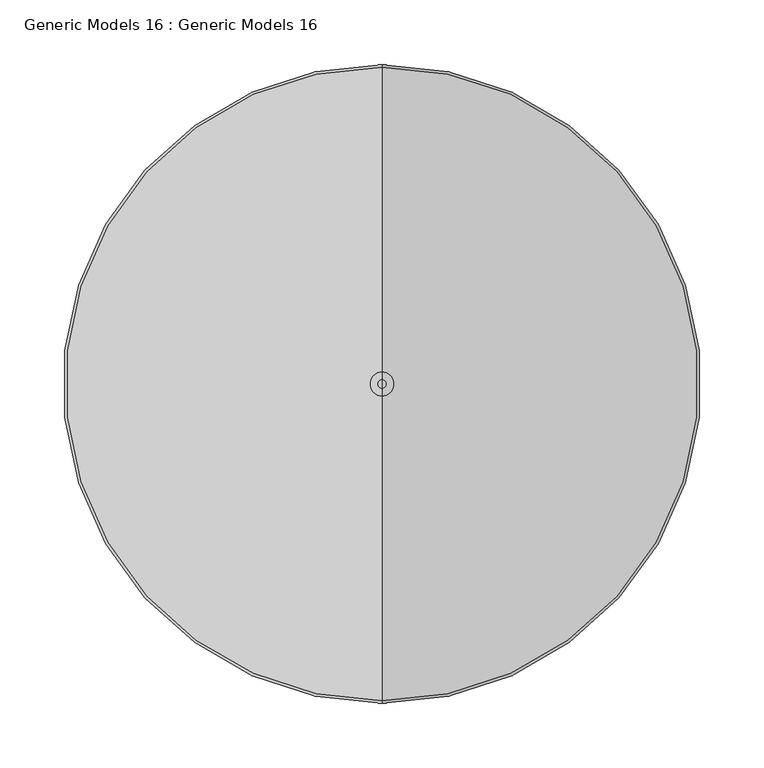
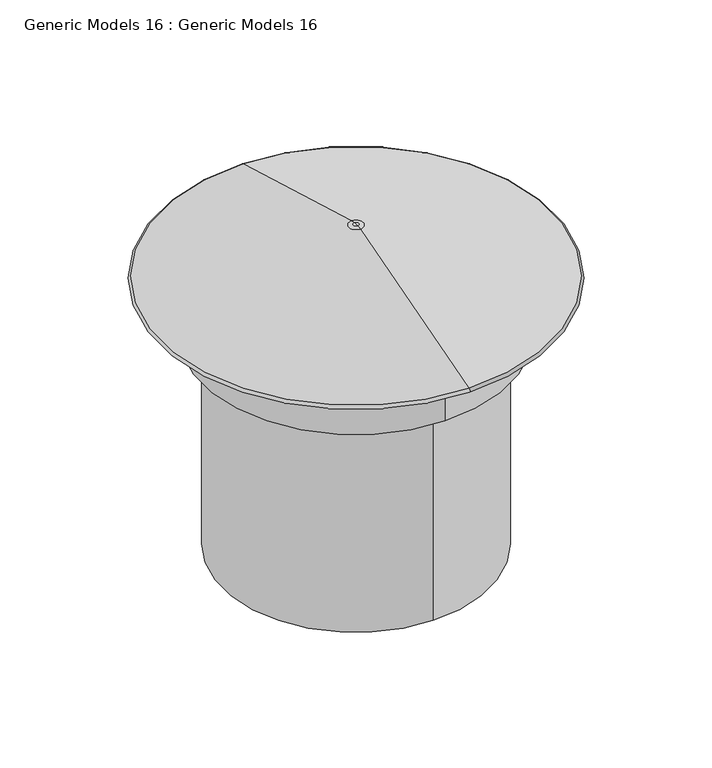
"""IFC4 building model written with IfcOpenShell, lengths in millimetres: proxy geometry, Generic Models 16 : Generic Models 16."""

from ifc_helpers import new_model, si_unit, point, frame, origin, place, context, project, spatial, polyline, circle_curve, ellipse_curve, trimmed, source, transform, mapped, element, save
from ifc_brep_helpers import plane_surface, cylinder_surface, revolved_surface, advanced_brep


def generic_models_16_generic_models_16_5de2d1c3(model_context):
    return source(origin(), model_context, "Body", "AdvancedBrep", [
        advanced_brep(
        [(-25348.3575108, -8059.9649212, -2540.2681162), (-25348.3575108, -8056.7466653, -2540.2681162), (-25348.3575108, -8063.1831772, -2540.2681162), (-25348.3575108, -8227.4334155, -2963.030599), (-25348.3575108, -7892.4964269, -2963.030599), (-25348.3575108, -8059.9649212, -2963.030599), (-25348.3575108, -8227.4334155, -2683.630599), (-25348.3575108, -7892.4964269, -2683.630599), (-25348.3575108, -8252.8334155, -2683.630599), (-25348.3575108, -7867.0964269, -2683.630599), (-25348.3575108, -8252.8334155, -2613.780599), (-25348.3575108, -7867.0964269, -2613.780599), (-25348.3575108, -8304.3261297, -2613.780599), (-25348.3575108, -7815.6037128, -2613.780599), (-25348.3575108, -8305.0372598, -2608.7206452), (-25348.3575108, -7814.8925827, -2608.7206452), (-25348.3575108, -8069.3253468, -2541.1313418), (-25348.3575108, -8050.6044956, -2541.1313418)],
        [
            (0, 1),
            (1, 2, circle_curve(frame((-25348.3575108, -8059.9649212, -2540.2681162), z_axis=(0.0, 0.0, 1.0), x_axis=(0.0, 1.0, 0.0)), 3.2182559)),
            (2, 0),
            (2, 1, circle_curve(frame((-25348.3575108, -8059.9649212, -2540.2681162), z_axis=(0.0, 0.0, 1.0), x_axis=(0.0, 1.0, 0.0)), 3.2182559)),
            (3, 4, circle_curve(frame((-25348.3575108, -8059.9649212, -2963.030599), z_axis=(0.0, 0.0, -1.0), x_axis=(0.0, 1.0, 0.0)), 167.4684943)),
            (4, 5),
            (5, 3),
            (4, 3, circle_curve(frame((-25348.3575108, -8059.9649212, -2963.030599), z_axis=(0.0, 0.0, -1.0), x_axis=(0.0, 1.0, 0.0)), 167.4684943)),
            (6, 7, circle_curve(frame((-25348.3575108, -8059.9649212, -2683.630599), z_axis=(0.0, 0.0, -1.0), x_axis=(0.0, 1.0, 0.0)), 167.4684943)),
            (7, 4),
            (3, 6),
            (7, 6, circle_curve(frame((-25348.3575108, -8059.9649212, -2683.630599), z_axis=(0.0, 0.0, -1.0), x_axis=(0.0, 1.0, 0.0)), 167.4684943)),
            (8, 9, circle_curve(frame((-25348.3575108, -8059.9649212, -2683.630599), z_axis=(0.0, 0.0, -1.0), x_axis=(0.0, 1.0, 0.0)), 192.8684943)),
            (9, 7),
            (6, 8),
            (9, 8, circle_curve(frame((-25348.3575108, -8059.9649212, -2683.630599), z_axis=(0.0, 0.0, -1.0), x_axis=(0.0, 1.0, 0.0)), 192.8684943)),
            (10, 11, circle_curve(frame((-25348.3575108, -8059.9649212, -2613.780599), z_axis=(0.0, 0.0, -1.0), x_axis=(0.0, 1.0, 0.0)), 192.8684943)),
            (11, 9),
            (8, 10),
            (11, 10, circle_curve(frame((-25348.3575108, -8059.9649212, -2613.780599), z_axis=(0.0, 0.0, -1.0), x_axis=(0.0, 1.0, 0.0)), 192.8684943)),
            (12, 13, circle_curve(frame((-25348.3575108, -8059.9649212, -2613.780599), z_axis=(0.0, 0.0, -1.0), x_axis=(0.0, 1.0, 0.0)), 244.3612085)),
            (13, 11),
            (10, 12),
            (13, 12, circle_curve(frame((-25348.3575108, -8059.9649212, -2613.780599), z_axis=(0.0, 0.0, -1.0), x_axis=(0.0, 1.0, 0.0)), 244.3612085)),
            (14, 15, circle_curve(frame((-25348.3575108, -8059.9649212, -2608.7206452), z_axis=(0.0, 0.0, -1.0), x_axis=(0.0, 1.0, 0.0)), 245.0723386)),
            (15, 13, circle_curve(frame((-25348.3575108, -7815.6037128, -2611.2006507), z_axis=(-1.0, 0.0, 0.0), x_axis=(0.0, 1.0, 0.0)), 2.5799483)),
            (12, 14, circle_curve(frame((-25348.3575108, -8304.3261297, -2611.2006507), z_axis=(-1.0, 0.0, 0.0), x_axis=(0.0, -1.0, 0.0)), 2.5799483)),
            (15, 14, circle_curve(frame((-25348.3575108, -8059.9649212, -2608.7206452), z_axis=(0.0, 0.0, -1.0), x_axis=(0.0, 1.0, 0.0)), 245.0723386)),
            (16, 17, circle_curve(frame((-25348.3575108, -8059.9649212, -2541.1313418), z_axis=(0.0, 0.0, -1.0), x_axis=(0.0, 1.0, 0.0)), 9.3604256)),
            (17, 15),
            (14, 16),
            (17, 16, circle_curve(frame((-25348.3575108, -8059.9649212, -2541.1313418), z_axis=(0.0, 0.0, -1.0), x_axis=(0.0, 1.0, 0.0)), 9.3604256)),
            (1, 17, circle_curve(frame((-25348.3575108, -8056.7466653, -2562.551633), z_axis=(-1.0, 0.0, 0.0), x_axis=(0.0, 1.0, 0.0)), 22.2835169)),
            (16, 2, circle_curve(frame((-25348.3575108, -8063.1831772, -2562.551633), z_axis=(-1.0, 0.0, 0.0), x_axis=(0.0, -1.0, 0.0)), 22.2835169)),
        ],
        [
            plane_surface(frame((-25348.3575108, -8059.9649212, -2540.2681162), z_axis=(0.0, 0.0, 1.0), x_axis=(0.0, 1.0, 0.0))),
            plane_surface(frame((-25348.3575108, -8059.9649212, -2963.030599), z_axis=(0.0, 0.0, -1.0), x_axis=(0.0, 1.0, 0.0))),
            cylinder_surface(frame((-25348.3575108, -8059.9649212, -2533.9181162), z_axis=(0.0, 0.0, 1.0), x_axis=(0.0, 1.0, 0.0)), 167.4684943),
            plane_surface(frame((-25348.3575108, -8059.9649212, -2683.630599), z_axis=(0.0, 0.0, -1.0), x_axis=(0.0, 1.0, 0.0))),
            cylinder_surface(frame((-25348.3575108, -8059.9649212, -2533.9181162), z_axis=(0.0, 0.0, 1.0), x_axis=(0.0, 1.0, 0.0)), 192.8684943),
            plane_surface(frame((-25348.3575108, -8059.9649212, -2613.780599), z_axis=(0.0, 0.0, -1.0), x_axis=(0.0, 1.0, 0.0))),
            revolved_surface(trimmed(ellipse_curve(frame((-25348.3575108, -7815.6037128, -2611.2006507), z_axis=(1.0, 0.0, 0.0), x_axis=(0.0, 1.0, 0.0)), 2.5799483, 2.5799483), [point((-25348.3575108, -7815.6037128, -2613.780599))], [point((-25348.3575108, -7814.8925827, -2608.7206452))], True, "CARTESIAN"), (-25348.3575108, -8059.9649212, -2533.9181162), (0.0, 0.0, 1.0)),
            revolved_surface(polyline([(-25348.3575108, -7814.8925827, -2608.7206452), (-25348.3575108, -8050.6044956, -2541.1313418)]), (-25348.3575108, -8059.9649212, -2533.9181162), (0.0, 0.0, 1.0)),
            revolved_surface(trimmed(ellipse_curve(frame((-25348.3575108, -8056.7466653, -2562.551633), z_axis=(1.0, 0.0, 0.0), x_axis=(0.0, 1.0, 0.0)), 22.2835169, 22.2835169), [point((-25348.3575108, -8050.6044956, -2541.1313418))], [point((-25348.3575108, -8056.7466653, -2540.2681162))], True, "CARTESIAN"), (-25348.3575108, -8059.9649212, -2533.9181162), (0.0, 0.0, 1.0)),
        ],
        [
            (0, [[1, 2, 3]]),
            (0, [[-3, 4, -1]]),
            (1, [[5, 6, 7]]),
            (1, [[8, -7, -6]]),
            (2, [[9, 10, -5, 11]]),
            (2, [[12, -11, -8, -10]]),
            (3, [[13, 14, -9, 15]]),
            (3, [[16, -15, -12, -14]]),
            (4, [[17, 18, -13, 19]]),
            (4, [[20, -19, -16, -18]]),
            (5, [[21, 22, -17, 23]]),
            (5, [[24, -23, -20, -22]]),
            (6, [[25, 26, -21, 27]]),
            (6, [[28, -27, -24, -26]]),
            (7, [[29, 30, -25, 31]]),
            (7, [[32, -31, -28, -30]]),
            (8, [[-2, 33, -29, 34]]),
            (8, [[-4, -34, -32, -33]]),
        ],
    ),
    ])


if __name__ == "__main__":
    model = new_model("IFC4")
    model_context = context("Model", 3, world=origin())
    ifc_project = project(units=[si_unit("LENGTHUNIT", "METRE", prefix="MILLI")], contexts=[model_context])
    site = spatial("IfcSite", under=ifc_project)
    building = spatial("IfcBuilding", under=site)
    placement = place(None, origin())
    generic_models_16_generic_models_16_shape = generic_models_16_generic_models_16_5de2d1c3(model_context)
    element("IfcBuildingElementProxy", 1, Name="Generic Models 16 : Generic Models 16", ObjectType="Generic Models 16 : Generic Models 16", at=placement, inside=building, context=model_context, shape_type="MappedRepresentation", body=[
        mapped(generic_models_16_generic_models_16_shape, transform((0.0, 0.0, 0.0), x_axis=(1.0, 0.0, 0.0), y_axis=(0.0, 1.0, 0.0), z_axis=(0.0, 0.0, 1.0))),
    ])
    save(model, "model.ifc")
